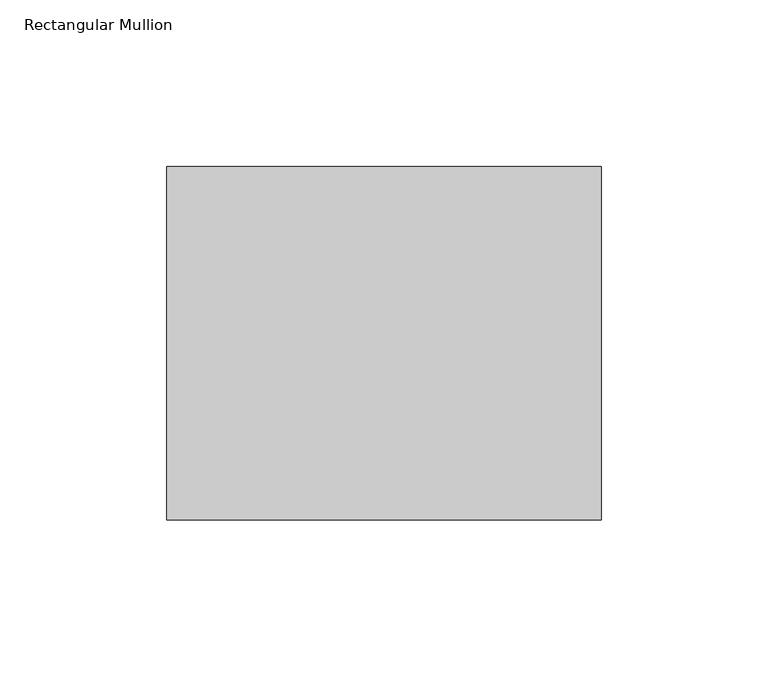
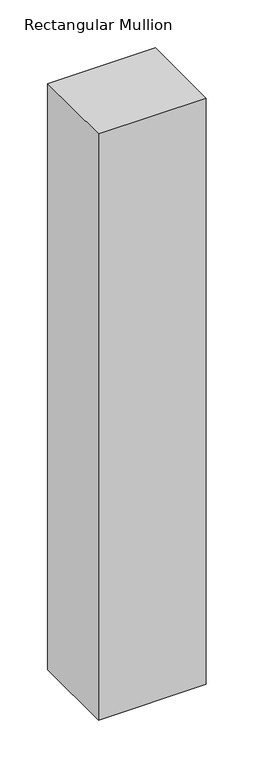
"""IFC4 building model written with IfcOpenShell, lengths in millimetres: member geometry, Rectangular Mullion."""

from ifc_helpers import new_model, si_unit, frame, origin, place, context, project, spatial, polyline, outline, extrude, source, transform, mapped, element, save


def rectangular_mullion_43048862(model_context):
    return source(origin(), model_context, "Body", "SweptSolid", [
        extrude(outline(polyline([(-130.0, 52.8779994), (0.0, 52.8779994), (0.0, -52.8779994), (-130.0, -52.8779994), (-130.0, 52.8779994)])), frame((0.0, 0.0, -747.0), z_axis=(0.0, 0.0, 1.0), x_axis=(1.0, 0.0, 0.0)), (0.0, 0.0, 1.0), 747.0),
    ])


if __name__ == "__main__":
    model = new_model("IFC4")
    model_context = context("Model", 3, world=origin())
    ifc_project = project(units=[si_unit("LENGTHUNIT", "METRE", prefix="MILLI")], contexts=[model_context])
    site = spatial("IfcSite", under=ifc_project)
    building = spatial("IfcBuilding", under=site)
    placement = place(None, origin())
    rectangular_mullion_shape = rectangular_mullion_43048862(model_context)
    element("IfcMember", 1, ObjectType="Rectangular Mullion", at=placement, inside=building, context=model_context, shape_type="MappedRepresentation", body=[
        mapped(rectangular_mullion_shape, transform((0.0, 0.0, 0.0), x_axis=(1.0, 0.0, 0.0), y_axis=(0.0, 1.0, 0.0), z_axis=(0.0, 0.0, 1.0))),
    ])
    save(model, "model.ifc")
